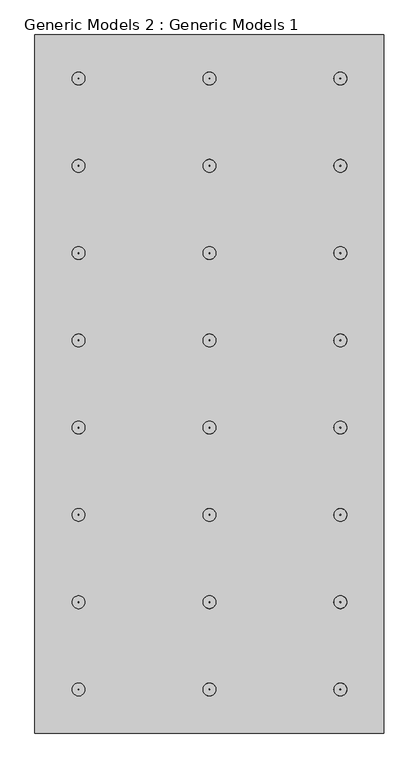
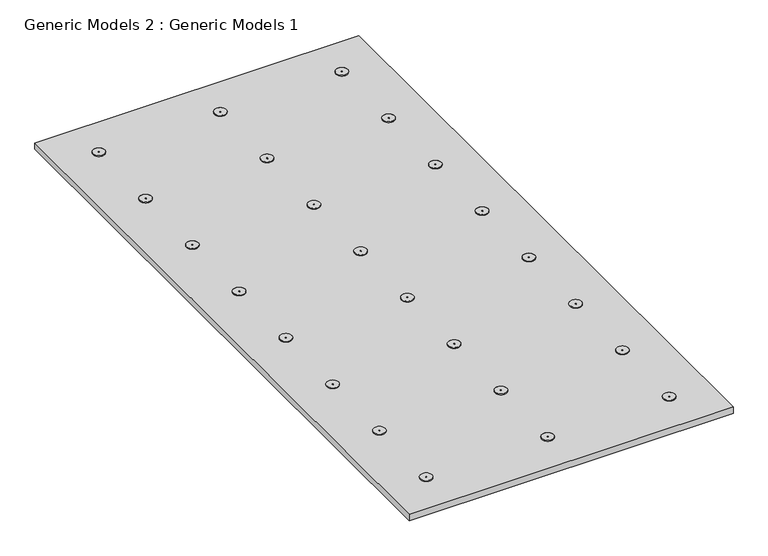
"""IFC4 building model written with IfcOpenShell, lengths in millimetres: proxy geometry, Generic Models 2 : Generic Models 1."""

from ifc_helpers import new_model, si_unit, point, frame, frame_2d, origin, origin_with_axes, place, context, project, spatial, polyline, circle_curve, trimmed, segment, composite_curve, outline, extrude, source, transform, mapped, element, save


def generic_models_2_generic_models_1_deada6b5(model_context):
    return source(origin(), model_context, "Body", "SweptSolid", [
        extrude(outline(composite_curve([segment(trimmed(circle_curve(frame_2d((1565.0726139, 2476.5286599)), 22.225), [point((1565.0726139, 2454.3036599))], [point((1565.0726139, 2498.7536599))], False, "CARTESIAN"), True, "CONTINUOUS"), segment(trimmed(circle_curve(frame_2d((1565.0726139, 2476.5286599)), 22.225), [point((1565.0726139, 2498.7536599))], [point((1565.0726139, 2454.3036599))], False, "CARTESIAN"), True, "CONTINUOUS")], self_intersect=False), holes=[composite_curve([segment(trimmed(circle_curve(frame_2d((1565.0726139, 2476.5286599)), 1.5875), [point((1565.0726139, 2474.9411599))], [point((1565.0726139, 2478.1161599))], True, "CARTESIAN"), True, "CONTINUOUS"), segment(trimmed(circle_curve(frame_2d((1565.0726139, 2476.5286599)), 1.5875), [point((1565.0726139, 2478.1161599))], [point((1565.0726139, 2474.9411599))], True, "CARTESIAN"), True, "CONTINUOUS")], self_intersect=False)]), frame((0.0, 0.0, 25.4), z_axis=(0.0, 0.0, 1.0), x_axis=(1.0, 0.0, 0.0)), (0.0, 0.0, 1.0), 3.175),
        extrude(outline(composite_curve([segment(trimmed(circle_curve(frame_2d((1565.0726139, 2781.3286599)), 22.225), [point((1565.0726139, 2759.1036599))], [point((1565.0726139, 2803.5536599))], False, "CARTESIAN"), True, "CONTINUOUS"), segment(trimmed(circle_curve(frame_2d((1565.0726139, 2781.3286599)), 22.225), [point((1565.0726139, 2803.5536599))], [point((1565.0726139, 2759.1036599))], False, "CARTESIAN"), True, "CONTINUOUS")], self_intersect=False), holes=[composite_curve([segment(trimmed(circle_curve(frame_2d((1565.0726139, 2781.3286599)), 1.5875), [point((1565.0726139, 2779.7411599))], [point((1565.0726139, 2782.9161599))], True, "CARTESIAN"), True, "CONTINUOUS"), segment(trimmed(circle_curve(frame_2d((1565.0726139, 2781.3286599)), 1.5875), [point((1565.0726139, 2782.9161599))], [point((1565.0726139, 2779.7411599))], True, "CARTESIAN"), True, "CONTINUOUS")], self_intersect=False)]), frame((0.0, 0.0, 25.4), z_axis=(0.0, 0.0, 1.0), x_axis=(1.0, 0.0, 0.0)), (0.0, 0.0, 1.0), 3.175),
        extrude(outline(composite_curve([segment(trimmed(circle_curve(frame_2d((1565.0726139, 3086.1286599)), 22.225), [point((1565.0726139, 3063.9036599))], [point((1565.0726139, 3108.3536599))], False, "CARTESIAN"), True, "CONTINUOUS"), segment(trimmed(circle_curve(frame_2d((1565.0726139, 3086.1286599)), 22.225), [point((1565.0726139, 3108.3536599))], [point((1565.0726139, 3063.9036599))], False, "CARTESIAN"), True, "CONTINUOUS")], self_intersect=False), holes=[composite_curve([segment(trimmed(circle_curve(frame_2d((1565.0726139, 3086.1286599)), 1.5875), [point((1565.0726139, 3084.5411599))], [point((1565.0726139, 3087.7161599))], True, "CARTESIAN"), True, "CONTINUOUS"), segment(trimmed(circle_curve(frame_2d((1565.0726139, 3086.1286599)), 1.5875), [point((1565.0726139, 3087.7161599))], [point((1565.0726139, 3084.5411599))], True, "CARTESIAN"), True, "CONTINUOUS")], self_intersect=False)]), frame((0.0, 0.0, 25.4), z_axis=(0.0, 0.0, 1.0), x_axis=(1.0, 0.0, 0.0)), (0.0, 0.0, 1.0), 3.175),
        extrude(outline(composite_curve([segment(trimmed(circle_curve(frame_2d((1565.0726139, 3390.9286599)), 22.225), [point((1565.0726139, 3368.7036599))], [point((1565.0726139, 3413.1536599))], False, "CARTESIAN"), True, "CONTINUOUS"), segment(trimmed(circle_curve(frame_2d((1565.0726139, 3390.9286599)), 22.225), [point((1565.0726139, 3413.1536599))], [point((1565.0726139, 3368.7036599))], False, "CARTESIAN"), True, "CONTINUOUS")], self_intersect=False), holes=[composite_curve([segment(trimmed(circle_curve(frame_2d((1565.0726139, 3390.9286599)), 1.5875), [point((1565.0726139, 3389.3411599))], [point((1565.0726139, 3392.5161599))], True, "CARTESIAN"), True, "CONTINUOUS"), segment(trimmed(circle_curve(frame_2d((1565.0726139, 3390.9286599)), 1.5875), [point((1565.0726139, 3392.5161599))], [point((1565.0726139, 3389.3411599))], True, "CARTESIAN"), True, "CONTINUOUS")], self_intersect=False)]), frame((0.0, 0.0, 25.4), z_axis=(0.0, 0.0, 1.0), x_axis=(1.0, 0.0, 0.0)), (0.0, 0.0, 1.0), 3.175),
        extrude(outline(composite_curve([segment(trimmed(circle_curve(frame_2d((1565.0726139, 3695.7286599)), 22.225), [point((1565.0726139, 3673.5036599))], [point((1565.0726139, 3717.9536599))], False, "CARTESIAN"), True, "CONTINUOUS"), segment(trimmed(circle_curve(frame_2d((1565.0726139, 3695.7286599)), 22.225), [point((1565.0726139, 3717.9536599))], [point((1565.0726139, 3673.5036599))], False, "CARTESIAN"), True, "CONTINUOUS")], self_intersect=False), holes=[composite_curve([segment(trimmed(circle_curve(frame_2d((1565.0726139, 3695.7286599)), 1.5875), [point((1565.0726139, 3694.1411599))], [point((1565.0726139, 3697.3161599))], True, "CARTESIAN"), True, "CONTINUOUS"), segment(trimmed(circle_curve(frame_2d((1565.0726139, 3695.7286599)), 1.5875), [point((1565.0726139, 3697.3161599))], [point((1565.0726139, 3694.1411599))], True, "CARTESIAN"), True, "CONTINUOUS")], self_intersect=False)]), frame((0.0, 0.0, 25.4), z_axis=(0.0, 0.0, 1.0), x_axis=(1.0, 0.0, 0.0)), (0.0, 0.0, 1.0), 3.175),
        extrude(outline(composite_curve([segment(trimmed(circle_curve(frame_2d((2022.2726139, 1562.1286599)), 22.225), [point((2022.2726139, 1539.9036599))], [point((2022.2726139, 1584.3536599))], False, "CARTESIAN"), True, "CONTINUOUS"), segment(trimmed(circle_curve(frame_2d((2022.2726139, 1562.1286599)), 22.225), [point((2022.2726139, 1584.3536599))], [point((2022.2726139, 1539.9036599))], False, "CARTESIAN"), True, "CONTINUOUS")], self_intersect=False), holes=[composite_curve([segment(trimmed(circle_curve(frame_2d((2022.2726139, 1562.1286599)), 1.5875), [point((2022.2726139, 1560.5411599))], [point((2022.2726139, 1563.7161599))], True, "CARTESIAN"), True, "CONTINUOUS"), segment(trimmed(circle_curve(frame_2d((2022.2726139, 1562.1286599)), 1.5875), [point((2022.2726139, 1563.7161599))], [point((2022.2726139, 1560.5411599))], True, "CARTESIAN"), True, "CONTINUOUS")], self_intersect=False)]), frame((0.0, 0.0, 25.4), z_axis=(0.0, 0.0, 1.0), x_axis=(1.0, 0.0, 0.0)), (0.0, 0.0, 1.0), 3.175),
        extrude(outline(composite_curve([segment(trimmed(circle_curve(frame_2d((2479.4726139, 1562.1286599)), 22.225), [point((2479.4726139, 1539.9036599))], [point((2479.4726139, 1584.3536599))], False, "CARTESIAN"), True, "CONTINUOUS"), segment(trimmed(circle_curve(frame_2d((2479.4726139, 1562.1286599)), 22.225), [point((2479.4726139, 1584.3536599))], [point((2479.4726139, 1539.9036599))], False, "CARTESIAN"), True, "CONTINUOUS")], self_intersect=False), holes=[composite_curve([segment(trimmed(circle_curve(frame_2d((2479.4726139, 1562.1286599)), 1.5875), [point((2479.4726139, 1560.5411599))], [point((2479.4726139, 1563.7161599))], True, "CARTESIAN"), True, "CONTINUOUS"), segment(trimmed(circle_curve(frame_2d((2479.4726139, 1562.1286599)), 1.5875), [point((2479.4726139, 1563.7161599))], [point((2479.4726139, 1560.5411599))], True, "CARTESIAN"), True, "CONTINUOUS")], self_intersect=False)]), frame((0.0, 0.0, 25.4), z_axis=(0.0, 0.0, 1.0), x_axis=(1.0, 0.0, 0.0)), (0.0, 0.0, 1.0), 3.175),
        extrude(outline(composite_curve([segment(trimmed(circle_curve(frame_2d((2022.2726139, 1562.1286599)), 22.225), [point((2000.0476139, 1562.1286599))], [point((2044.4976139, 1562.1286599))], False, "CARTESIAN"), True, "CONTINUOUS"), segment(trimmed(circle_curve(frame_2d((2022.2726139, 1562.1286599)), 22.225), [point((2044.4976139, 1562.1286599))], [point((2000.0476139, 1562.1286599))], False, "CARTESIAN"), True, "CONTINUOUS")], self_intersect=False), holes=[composite_curve([segment(trimmed(circle_curve(frame_2d((2022.2726139, 1562.1286599)), 1.5875), [point((2020.6851139, 1562.1286599))], [point((2023.8601139, 1562.1286599))], True, "CARTESIAN"), True, "CONTINUOUS"), segment(trimmed(circle_curve(frame_2d((2022.2726139, 1562.1286599)), 1.5875), [point((2023.8601139, 1562.1286599))], [point((2020.6851139, 1562.1286599))], True, "CARTESIAN"), True, "CONTINUOUS")], self_intersect=False)]), frame((0.0, 0.0, 25.4), z_axis=(0.0, 0.0, 1.0), x_axis=(1.0, 0.0, 0.0)), (0.0, 0.0, 1.0), 3.175),
        extrude(outline(composite_curve([segment(trimmed(circle_curve(frame_2d((1565.0726139, 1562.1286599)), 22.225), [point((1587.2976139, 1562.1286599))], [point((1542.8476139, 1562.1286599))], False, "CARTESIAN"), True, "CONTINUOUS"), segment(trimmed(circle_curve(frame_2d((1565.0726139, 1562.1286599)), 22.225), [point((1542.8476139, 1562.1286599))], [point((1587.2976139, 1562.1286599))], False, "CARTESIAN"), True, "CONTINUOUS")], self_intersect=False), holes=[composite_curve([segment(trimmed(circle_curve(frame_2d((1565.0726139, 1562.1286599)), 1.5875), [point((1566.6601139, 1562.1286599))], [point((1563.4851139, 1562.1286599))], True, "CARTESIAN"), True, "CONTINUOUS"), segment(trimmed(circle_curve(frame_2d((1565.0726139, 1562.1286599)), 1.5875), [point((1563.4851139, 1562.1286599))], [point((1566.6601139, 1562.1286599))], True, "CARTESIAN"), True, "CONTINUOUS")], self_intersect=False)]), frame((0.0, 0.0, 25.4), z_axis=(0.0, 0.0, 1.0), x_axis=(1.0, 0.0, 0.0)), (0.0, 0.0, 1.0), 3.175),
        extrude(outline(composite_curve([segment(trimmed(circle_curve(frame_2d((2479.4726139, 1562.1286599)), 22.225), [point((2457.2476139, 1562.1286599))], [point((2501.6976139, 1562.1286599))], False, "CARTESIAN"), True, "CONTINUOUS"), segment(trimmed(circle_curve(frame_2d((2479.4726139, 1562.1286599)), 22.225), [point((2501.6976139, 1562.1286599))], [point((2457.2476139, 1562.1286599))], False, "CARTESIAN"), True, "CONTINUOUS")], self_intersect=False), holes=[composite_curve([segment(trimmed(circle_curve(frame_2d((2479.4726139, 1562.1286599)), 1.5875), [point((2477.8851139, 1562.1286599))], [point((2481.0601139, 1562.1286599))], True, "CARTESIAN"), True, "CONTINUOUS"), segment(trimmed(circle_curve(frame_2d((2479.4726139, 1562.1286599)), 1.5875), [point((2481.0601139, 1562.1286599))], [point((2477.8851139, 1562.1286599))], True, "CARTESIAN"), True, "CONTINUOUS")], self_intersect=False)]), frame((0.0, 0.0, 25.4), z_axis=(0.0, 0.0, 1.0), x_axis=(1.0, 0.0, 0.0)), (0.0, 0.0, 1.0), 3.175),
        extrude(outline(composite_curve([segment(trimmed(circle_curve(frame_2d((2022.2726139, 1866.9286599)), 22.225), [point((2022.2726139, 1844.7036599))], [point((2022.2726139, 1889.1536599))], False, "CARTESIAN"), True, "CONTINUOUS"), segment(trimmed(circle_curve(frame_2d((2022.2726139, 1866.9286599)), 22.225), [point((2022.2726139, 1889.1536599))], [point((2022.2726139, 1844.7036599))], False, "CARTESIAN"), True, "CONTINUOUS")], self_intersect=False), holes=[composite_curve([segment(trimmed(circle_curve(frame_2d((2022.2726139, 1866.9286599)), 1.5875), [point((2022.2726139, 1865.3411599))], [point((2022.2726139, 1868.5161599))], True, "CARTESIAN"), True, "CONTINUOUS"), segment(trimmed(circle_curve(frame_2d((2022.2726139, 1866.9286599)), 1.5875), [point((2022.2726139, 1868.5161599))], [point((2022.2726139, 1865.3411599))], True, "CARTESIAN"), True, "CONTINUOUS")], self_intersect=False)]), frame((0.0, 0.0, 25.4), z_axis=(0.0, 0.0, 1.0), x_axis=(1.0, 0.0, 0.0)), (0.0, 0.0, 1.0), 3.175),
        extrude(outline(composite_curve([segment(trimmed(circle_curve(frame_2d((2479.4726139, 1866.9286599)), 22.225), [point((2479.4726139, 1844.7036599))], [point((2479.4726139, 1889.1536599))], False, "CARTESIAN"), True, "CONTINUOUS"), segment(trimmed(circle_curve(frame_2d((2479.4726139, 1866.9286599)), 22.225), [point((2479.4726139, 1889.1536599))], [point((2479.4726139, 1844.7036599))], False, "CARTESIAN"), True, "CONTINUOUS")], self_intersect=False), holes=[composite_curve([segment(trimmed(circle_curve(frame_2d((2479.4726139, 1866.9286599)), 1.5875), [point((2479.4726139, 1865.3411599))], [point((2479.4726139, 1868.5161599))], True, "CARTESIAN"), True, "CONTINUOUS"), segment(trimmed(circle_curve(frame_2d((2479.4726139, 1866.9286599)), 1.5875), [point((2479.4726139, 1868.5161599))], [point((2479.4726139, 1865.3411599))], True, "CARTESIAN"), True, "CONTINUOUS")], self_intersect=False)]), frame((0.0, 0.0, 25.4), z_axis=(0.0, 0.0, 1.0), x_axis=(1.0, 0.0, 0.0)), (0.0, 0.0, 1.0), 3.175),
        extrude(outline(composite_curve([segment(trimmed(circle_curve(frame_2d((2022.2726139, 1866.9286599)), 22.225), [point((2000.0476139, 1866.9286599))], [point((2044.4976139, 1866.9286599))], False, "CARTESIAN"), True, "CONTINUOUS"), segment(trimmed(circle_curve(frame_2d((2022.2726139, 1866.9286599)), 22.225), [point((2044.4976139, 1866.9286599))], [point((2000.0476139, 1866.9286599))], False, "CARTESIAN"), True, "CONTINUOUS")], self_intersect=False), holes=[composite_curve([segment(trimmed(circle_curve(frame_2d((2022.2726139, 1866.9286599)), 1.5875), [point((2020.6851139, 1866.9286599))], [point((2023.8601139, 1866.9286599))], True, "CARTESIAN"), True, "CONTINUOUS"), segment(trimmed(circle_curve(frame_2d((2022.2726139, 1866.9286599)), 1.5875), [point((2023.8601139, 1866.9286599))], [point((2020.6851139, 1866.9286599))], True, "CARTESIAN"), True, "CONTINUOUS")], self_intersect=False)]), frame((0.0, 0.0, 25.4), z_axis=(0.0, 0.0, 1.0), x_axis=(1.0, 0.0, 0.0)), (0.0, 0.0, 1.0), 3.175),
        extrude(outline(composite_curve([segment(trimmed(circle_curve(frame_2d((1565.0726139, 1866.9286599)), 22.225), [point((1587.2976139, 1866.9286599))], [point((1542.8476139, 1866.9286599))], False, "CARTESIAN"), True, "CONTINUOUS"), segment(trimmed(circle_curve(frame_2d((1565.0726139, 1866.9286599)), 22.225), [point((1542.8476139, 1866.9286599))], [point((1587.2976139, 1866.9286599))], False, "CARTESIAN"), True, "CONTINUOUS")], self_intersect=False), holes=[composite_curve([segment(trimmed(circle_curve(frame_2d((1565.0726139, 1866.9286599)), 1.5875), [point((1566.6601139, 1866.9286599))], [point((1563.4851139, 1866.9286599))], True, "CARTESIAN"), True, "CONTINUOUS"), segment(trimmed(circle_curve(frame_2d((1565.0726139, 1866.9286599)), 1.5875), [point((1563.4851139, 1866.9286599))], [point((1566.6601139, 1866.9286599))], True, "CARTESIAN"), True, "CONTINUOUS")], self_intersect=False)]), frame((0.0, 0.0, 25.4), z_axis=(0.0, 0.0, 1.0), x_axis=(1.0, 0.0, 0.0)), (0.0, 0.0, 1.0), 3.175),
        extrude(outline(composite_curve([segment(trimmed(circle_curve(frame_2d((2479.4726139, 1866.9286599)), 22.225), [point((2457.2476139, 1866.9286599))], [point((2501.6976139, 1866.9286599))], False, "CARTESIAN"), True, "CONTINUOUS"), segment(trimmed(circle_curve(frame_2d((2479.4726139, 1866.9286599)), 22.225), [point((2501.6976139, 1866.9286599))], [point((2457.2476139, 1866.9286599))], False, "CARTESIAN"), True, "CONTINUOUS")], self_intersect=False), holes=[composite_curve([segment(trimmed(circle_curve(frame_2d((2479.4726139, 1866.9286599)), 1.5875), [point((2477.8851139, 1866.9286599))], [point((2481.0601139, 1866.9286599))], True, "CARTESIAN"), True, "CONTINUOUS"), segment(trimmed(circle_curve(frame_2d((2479.4726139, 1866.9286599)), 1.5875), [point((2481.0601139, 1866.9286599))], [point((2477.8851139, 1866.9286599))], True, "CARTESIAN"), True, "CONTINUOUS")], self_intersect=False)]), frame((0.0, 0.0, 25.4), z_axis=(0.0, 0.0, 1.0), x_axis=(1.0, 0.0, 0.0)), (0.0, 0.0, 1.0), 3.175),
        extrude(outline(composite_curve([segment(trimmed(circle_curve(frame_2d((2022.2726139, 2171.7286599)), 22.225), [point((2022.2726139, 2149.5036599))], [point((2022.2726139, 2193.9536599))], False, "CARTESIAN"), True, "CONTINUOUS"), segment(trimmed(circle_curve(frame_2d((2022.2726139, 2171.7286599)), 22.225), [point((2022.2726139, 2193.9536599))], [point((2022.2726139, 2149.5036599))], False, "CARTESIAN"), True, "CONTINUOUS")], self_intersect=False), holes=[composite_curve([segment(trimmed(circle_curve(frame_2d((2022.2726139, 2171.7286599)), 1.5875), [point((2022.2726139, 2170.1411599))], [point((2022.2726139, 2173.3161599))], True, "CARTESIAN"), True, "CONTINUOUS"), segment(trimmed(circle_curve(frame_2d((2022.2726139, 2171.7286599)), 1.5875), [point((2022.2726139, 2173.3161599))], [point((2022.2726139, 2170.1411599))], True, "CARTESIAN"), True, "CONTINUOUS")], self_intersect=False)]), frame((0.0, 0.0, 25.4), z_axis=(0.0, 0.0, 1.0), x_axis=(1.0, 0.0, 0.0)), (0.0, 0.0, 1.0), 3.175),
        extrude(outline(composite_curve([segment(trimmed(circle_curve(frame_2d((2479.4726139, 2171.7286599)), 22.225), [point((2479.4726139, 2149.5036599))], [point((2479.4726139, 2193.9536599))], False, "CARTESIAN"), True, "CONTINUOUS"), segment(trimmed(circle_curve(frame_2d((2479.4726139, 2171.7286599)), 22.225), [point((2479.4726139, 2193.9536599))], [point((2479.4726139, 2149.5036599))], False, "CARTESIAN"), True, "CONTINUOUS")], self_intersect=False), holes=[composite_curve([segment(trimmed(circle_curve(frame_2d((2479.4726139, 2171.7286599)), 1.5875), [point((2479.4726139, 2170.1411599))], [point((2479.4726139, 2173.3161599))], True, "CARTESIAN"), True, "CONTINUOUS"), segment(trimmed(circle_curve(frame_2d((2479.4726139, 2171.7286599)), 1.5875), [point((2479.4726139, 2173.3161599))], [point((2479.4726139, 2170.1411599))], True, "CARTESIAN"), True, "CONTINUOUS")], self_intersect=False)]), frame((0.0, 0.0, 25.4), z_axis=(0.0, 0.0, 1.0), x_axis=(1.0, 0.0, 0.0)), (0.0, 0.0, 1.0), 3.175),
        extrude(outline(composite_curve([segment(trimmed(circle_curve(frame_2d((2022.2726139, 2171.7286599)), 22.225), [point((2000.0476139, 2171.7286599))], [point((2044.4976139, 2171.7286599))], False, "CARTESIAN"), True, "CONTINUOUS"), segment(trimmed(circle_curve(frame_2d((2022.2726139, 2171.7286599)), 22.225), [point((2044.4976139, 2171.7286599))], [point((2000.0476139, 2171.7286599))], False, "CARTESIAN"), True, "CONTINUOUS")], self_intersect=False), holes=[composite_curve([segment(trimmed(circle_curve(frame_2d((2022.2726139, 2171.7286599)), 1.5875), [point((2020.6851139, 2171.7286599))], [point((2023.8601139, 2171.7286599))], True, "CARTESIAN"), True, "CONTINUOUS"), segment(trimmed(circle_curve(frame_2d((2022.2726139, 2171.7286599)), 1.5875), [point((2023.8601139, 2171.7286599))], [point((2020.6851139, 2171.7286599))], True, "CARTESIAN"), True, "CONTINUOUS")], self_intersect=False)]), frame((0.0, 0.0, 25.4), z_axis=(0.0, 0.0, 1.0), x_axis=(1.0, 0.0, 0.0)), (0.0, 0.0, 1.0), 3.175),
        extrude(outline(composite_curve([segment(trimmed(circle_curve(frame_2d((1565.0726139, 2171.7286599)), 22.225), [point((1587.2976139, 2171.7286599))], [point((1542.8476139, 2171.7286599))], False, "CARTESIAN"), True, "CONTINUOUS"), segment(trimmed(circle_curve(frame_2d((1565.0726139, 2171.7286599)), 22.225), [point((1542.8476139, 2171.7286599))], [point((1587.2976139, 2171.7286599))], False, "CARTESIAN"), True, "CONTINUOUS")], self_intersect=False), holes=[composite_curve([segment(trimmed(circle_curve(frame_2d((1565.0726139, 2171.7286599)), 1.5875), [point((1566.6601139, 2171.7286599))], [point((1563.4851139, 2171.7286599))], True, "CARTESIAN"), True, "CONTINUOUS"), segment(trimmed(circle_curve(frame_2d((1565.0726139, 2171.7286599)), 1.5875), [point((1563.4851139, 2171.7286599))], [point((1566.6601139, 2171.7286599))], True, "CARTESIAN"), True, "CONTINUOUS")], self_intersect=False)]), frame((0.0, 0.0, 25.4), z_axis=(0.0, 0.0, 1.0), x_axis=(1.0, 0.0, 0.0)), (0.0, 0.0, 1.0), 3.175),
        extrude(outline(composite_curve([segment(trimmed(circle_curve(frame_2d((2479.4726139, 2171.7286599)), 22.225), [point((2457.2476139, 2171.7286599))], [point((2501.6976139, 2171.7286599))], False, "CARTESIAN"), True, "CONTINUOUS"), segment(trimmed(circle_curve(frame_2d((2479.4726139, 2171.7286599)), 22.225), [point((2501.6976139, 2171.7286599))], [point((2457.2476139, 2171.7286599))], False, "CARTESIAN"), True, "CONTINUOUS")], self_intersect=False), holes=[composite_curve([segment(trimmed(circle_curve(frame_2d((2479.4726139, 2171.7286599)), 1.5875), [point((2477.8851139, 2171.7286599))], [point((2481.0601139, 2171.7286599))], True, "CARTESIAN"), True, "CONTINUOUS"), segment(trimmed(circle_curve(frame_2d((2479.4726139, 2171.7286599)), 1.5875), [point((2481.0601139, 2171.7286599))], [point((2477.8851139, 2171.7286599))], True, "CARTESIAN"), True, "CONTINUOUS")], self_intersect=False)]), frame((0.0, 0.0, 25.4), z_axis=(0.0, 0.0, 1.0), x_axis=(1.0, 0.0, 0.0)), (0.0, 0.0, 1.0), 3.175),
        extrude(outline(composite_curve([segment(trimmed(circle_curve(frame_2d((2022.2726139, 2476.5286599)), 22.225), [point((2022.2726139, 2454.3036599))], [point((2022.2726139, 2498.7536599))], False, "CARTESIAN"), True, "CONTINUOUS"), segment(trimmed(circle_curve(frame_2d((2022.2726139, 2476.5286599)), 22.225), [point((2022.2726139, 2498.7536599))], [point((2022.2726139, 2454.3036599))], False, "CARTESIAN"), True, "CONTINUOUS")], self_intersect=False), holes=[composite_curve([segment(trimmed(circle_curve(frame_2d((2022.2726139, 2476.5286599)), 1.5875), [point((2022.2726139, 2474.9411599))], [point((2022.2726139, 2478.1161599))], True, "CARTESIAN"), True, "CONTINUOUS"), segment(trimmed(circle_curve(frame_2d((2022.2726139, 2476.5286599)), 1.5875), [point((2022.2726139, 2478.1161599))], [point((2022.2726139, 2474.9411599))], True, "CARTESIAN"), True, "CONTINUOUS")], self_intersect=False)]), frame((0.0, 0.0, 25.4), z_axis=(0.0, 0.0, 1.0), x_axis=(1.0, 0.0, 0.0)), (0.0, 0.0, 1.0), 3.175),
        extrude(outline(composite_curve([segment(trimmed(circle_curve(frame_2d((2479.4726139, 2476.5286599)), 22.225), [point((2479.4726139, 2454.3036599))], [point((2479.4726139, 2498.7536599))], False, "CARTESIAN"), True, "CONTINUOUS"), segment(trimmed(circle_curve(frame_2d((2479.4726139, 2476.5286599)), 22.225), [point((2479.4726139, 2498.7536599))], [point((2479.4726139, 2454.3036599))], False, "CARTESIAN"), True, "CONTINUOUS")], self_intersect=False), holes=[composite_curve([segment(trimmed(circle_curve(frame_2d((2479.4726139, 2476.5286599)), 1.5875), [point((2479.4726139, 2474.9411599))], [point((2479.4726139, 2478.1161599))], True, "CARTESIAN"), True, "CONTINUOUS"), segment(trimmed(circle_curve(frame_2d((2479.4726139, 2476.5286599)), 1.5875), [point((2479.4726139, 2478.1161599))], [point((2479.4726139, 2474.9411599))], True, "CARTESIAN"), True, "CONTINUOUS")], self_intersect=False)]), frame((0.0, 0.0, 25.4), z_axis=(0.0, 0.0, 1.0), x_axis=(1.0, 0.0, 0.0)), (0.0, 0.0, 1.0), 3.175),
        extrude(outline(composite_curve([segment(trimmed(circle_curve(frame_2d((2022.2726139, 2476.5286599)), 22.225), [point((2000.0476139, 2476.5286599))], [point((2044.4976139, 2476.5286599))], False, "CARTESIAN"), True, "CONTINUOUS"), segment(trimmed(circle_curve(frame_2d((2022.2726139, 2476.5286599)), 22.225), [point((2044.4976139, 2476.5286599))], [point((2000.0476139, 2476.5286599))], False, "CARTESIAN"), True, "CONTINUOUS")], self_intersect=False), holes=[composite_curve([segment(trimmed(circle_curve(frame_2d((2022.2726139, 2476.5286599)), 1.5875), [point((2020.6851139, 2476.5286599))], [point((2023.8601139, 2476.5286599))], True, "CARTESIAN"), True, "CONTINUOUS"), segment(trimmed(circle_curve(frame_2d((2022.2726139, 2476.5286599)), 1.5875), [point((2023.8601139, 2476.5286599))], [point((2020.6851139, 2476.5286599))], True, "CARTESIAN"), True, "CONTINUOUS")], self_intersect=False)]), frame((0.0, 0.0, 25.4), z_axis=(0.0, 0.0, 1.0), x_axis=(1.0, 0.0, 0.0)), (0.0, 0.0, 1.0), 3.175),
        extrude(outline(composite_curve([segment(trimmed(circle_curve(frame_2d((1565.0726139, 2476.5286599)), 22.225), [point((1587.2976139, 2476.5286599))], [point((1542.8476139, 2476.5286599))], False, "CARTESIAN"), True, "CONTINUOUS"), segment(trimmed(circle_curve(frame_2d((1565.0726139, 2476.5286599)), 22.225), [point((1542.8476139, 2476.5286599))], [point((1587.2976139, 2476.5286599))], False, "CARTESIAN"), True, "CONTINUOUS")], self_intersect=False), holes=[composite_curve([segment(trimmed(circle_curve(frame_2d((1565.0726139, 2476.5286599)), 1.5875), [point((1566.6601139, 2476.5286599))], [point((1563.4851139, 2476.5286599))], True, "CARTESIAN"), True, "CONTINUOUS"), segment(trimmed(circle_curve(frame_2d((1565.0726139, 2476.5286599)), 1.5875), [point((1563.4851139, 2476.5286599))], [point((1566.6601139, 2476.5286599))], True, "CARTESIAN"), True, "CONTINUOUS")], self_intersect=False)]), frame((0.0, 0.0, 25.4), z_axis=(0.0, 0.0, 1.0), x_axis=(1.0, 0.0, 0.0)), (0.0, 0.0, 1.0), 3.175),
        extrude(outline(composite_curve([segment(trimmed(circle_curve(frame_2d((2479.4726139, 2476.5286599)), 22.225), [point((2457.2476139, 2476.5286599))], [point((2501.6976139, 2476.5286599))], False, "CARTESIAN"), True, "CONTINUOUS"), segment(trimmed(circle_curve(frame_2d((2479.4726139, 2476.5286599)), 22.225), [point((2501.6976139, 2476.5286599))], [point((2457.2476139, 2476.5286599))], False, "CARTESIAN"), True, "CONTINUOUS")], self_intersect=False), holes=[composite_curve([segment(trimmed(circle_curve(frame_2d((2479.4726139, 2476.5286599)), 1.5875), [point((2477.8851139, 2476.5286599))], [point((2481.0601139, 2476.5286599))], True, "CARTESIAN"), True, "CONTINUOUS"), segment(trimmed(circle_curve(frame_2d((2479.4726139, 2476.5286599)), 1.5875), [point((2481.0601139, 2476.5286599))], [point((2477.8851139, 2476.5286599))], True, "CARTESIAN"), True, "CONTINUOUS")], self_intersect=False)]), frame((0.0, 0.0, 25.4), z_axis=(0.0, 0.0, 1.0), x_axis=(1.0, 0.0, 0.0)), (0.0, 0.0, 1.0), 3.175),
        extrude(outline(composite_curve([segment(trimmed(circle_curve(frame_2d((2022.2726139, 2781.3286599)), 22.225), [point((2022.2726139, 2759.1036599))], [point((2022.2726139, 2803.5536599))], False, "CARTESIAN"), True, "CONTINUOUS"), segment(trimmed(circle_curve(frame_2d((2022.2726139, 2781.3286599)), 22.225), [point((2022.2726139, 2803.5536599))], [point((2022.2726139, 2759.1036599))], False, "CARTESIAN"), True, "CONTINUOUS")], self_intersect=False), holes=[composite_curve([segment(trimmed(circle_curve(frame_2d((2022.2726139, 2781.3286599)), 1.5875), [point((2022.2726139, 2779.7411599))], [point((2022.2726139, 2782.9161599))], True, "CARTESIAN"), True, "CONTINUOUS"), segment(trimmed(circle_curve(frame_2d((2022.2726139, 2781.3286599)), 1.5875), [point((2022.2726139, 2782.9161599))], [point((2022.2726139, 2779.7411599))], True, "CARTESIAN"), True, "CONTINUOUS")], self_intersect=False)]), frame((0.0, 0.0, 25.4), z_axis=(0.0, 0.0, 1.0), x_axis=(1.0, 0.0, 0.0)), (0.0, 0.0, 1.0), 3.175),
        extrude(outline(composite_curve([segment(trimmed(circle_curve(frame_2d((2479.4726139, 2781.3286599)), 22.225), [point((2479.4726139, 2759.1036599))], [point((2479.4726139, 2803.5536599))], False, "CARTESIAN"), True, "CONTINUOUS"), segment(trimmed(circle_curve(frame_2d((2479.4726139, 2781.3286599)), 22.225), [point((2479.4726139, 2803.5536599))], [point((2479.4726139, 2759.1036599))], False, "CARTESIAN"), True, "CONTINUOUS")], self_intersect=False), holes=[composite_curve([segment(trimmed(circle_curve(frame_2d((2479.4726139, 2781.3286599)), 1.5875), [point((2479.4726139, 2779.7411599))], [point((2479.4726139, 2782.9161599))], True, "CARTESIAN"), True, "CONTINUOUS"), segment(trimmed(circle_curve(frame_2d((2479.4726139, 2781.3286599)), 1.5875), [point((2479.4726139, 2782.9161599))], [point((2479.4726139, 2779.7411599))], True, "CARTESIAN"), True, "CONTINUOUS")], self_intersect=False)]), frame((0.0, 0.0, 25.4), z_axis=(0.0, 0.0, 1.0), x_axis=(1.0, 0.0, 0.0)), (0.0, 0.0, 1.0), 3.175),
        extrude(outline(composite_curve([segment(trimmed(circle_curve(frame_2d((2022.2726139, 2781.3286599)), 22.225), [point((2000.0476139, 2781.3286599))], [point((2044.4976139, 2781.3286599))], False, "CARTESIAN"), True, "CONTINUOUS"), segment(trimmed(circle_curve(frame_2d((2022.2726139, 2781.3286599)), 22.225), [point((2044.4976139, 2781.3286599))], [point((2000.0476139, 2781.3286599))], False, "CARTESIAN"), True, "CONTINUOUS")], self_intersect=False), holes=[composite_curve([segment(trimmed(circle_curve(frame_2d((2022.2726139, 2781.3286599)), 1.5875), [point((2020.6851139, 2781.3286599))], [point((2023.8601139, 2781.3286599))], True, "CARTESIAN"), True, "CONTINUOUS"), segment(trimmed(circle_curve(frame_2d((2022.2726139, 2781.3286599)), 1.5875), [point((2023.8601139, 2781.3286599))], [point((2020.6851139, 2781.3286599))], True, "CARTESIAN"), True, "CONTINUOUS")], self_intersect=False)]), frame((0.0, 0.0, 25.4), z_axis=(0.0, 0.0, 1.0), x_axis=(1.0, 0.0, 0.0)), (0.0, 0.0, 1.0), 3.175),
        extrude(outline(composite_curve([segment(trimmed(circle_curve(frame_2d((1565.0726139, 2781.3286599)), 22.225), [point((1587.2976139, 2781.3286599))], [point((1542.8476139, 2781.3286599))], False, "CARTESIAN"), True, "CONTINUOUS"), segment(trimmed(circle_curve(frame_2d((1565.0726139, 2781.3286599)), 22.225), [point((1542.8476139, 2781.3286599))], [point((1587.2976139, 2781.3286599))], False, "CARTESIAN"), True, "CONTINUOUS")], self_intersect=False), holes=[composite_curve([segment(trimmed(circle_curve(frame_2d((1565.0726139, 2781.3286599)), 1.5875), [point((1566.6601139, 2781.3286599))], [point((1563.4851139, 2781.3286599))], True, "CARTESIAN"), True, "CONTINUOUS"), segment(trimmed(circle_curve(frame_2d((1565.0726139, 2781.3286599)), 1.5875), [point((1563.4851139, 2781.3286599))], [point((1566.6601139, 2781.3286599))], True, "CARTESIAN"), True, "CONTINUOUS")], self_intersect=False)]), frame((0.0, 0.0, 25.4), z_axis=(0.0, 0.0, 1.0), x_axis=(1.0, 0.0, 0.0)), (0.0, 0.0, 1.0), 3.175),
        extrude(outline(composite_curve([segment(trimmed(circle_curve(frame_2d((2479.4726139, 2781.3286599)), 22.225), [point((2457.2476139, 2781.3286599))], [point((2501.6976139, 2781.3286599))], False, "CARTESIAN"), True, "CONTINUOUS"), segment(trimmed(circle_curve(frame_2d((2479.4726139, 2781.3286599)), 22.225), [point((2501.6976139, 2781.3286599))], [point((2457.2476139, 2781.3286599))], False, "CARTESIAN"), True, "CONTINUOUS")], self_intersect=False), holes=[composite_curve([segment(trimmed(circle_curve(frame_2d((2479.4726139, 2781.3286599)), 1.5875), [point((2477.8851139, 2781.3286599))], [point((2481.0601139, 2781.3286599))], True, "CARTESIAN"), True, "CONTINUOUS"), segment(trimmed(circle_curve(frame_2d((2479.4726139, 2781.3286599)), 1.5875), [point((2481.0601139, 2781.3286599))], [point((2477.8851139, 2781.3286599))], True, "CARTESIAN"), True, "CONTINUOUS")], self_intersect=False)]), frame((0.0, 0.0, 25.4), z_axis=(0.0, 0.0, 1.0), x_axis=(1.0, 0.0, 0.0)), (0.0, 0.0, 1.0), 3.175),
        extrude(outline(composite_curve([segment(trimmed(circle_curve(frame_2d((2022.2726139, 3086.1286599)), 22.225), [point((2022.2726139, 3063.9036599))], [point((2022.2726139, 3108.3536599))], False, "CARTESIAN"), True, "CONTINUOUS"), segment(trimmed(circle_curve(frame_2d((2022.2726139, 3086.1286599)), 22.225), [point((2022.2726139, 3108.3536599))], [point((2022.2726139, 3063.9036599))], False, "CARTESIAN"), True, "CONTINUOUS")], self_intersect=False), holes=[composite_curve([segment(trimmed(circle_curve(frame_2d((2022.2726139, 3086.1286599)), 1.5875), [point((2022.2726139, 3084.5411599))], [point((2022.2726139, 3087.7161599))], True, "CARTESIAN"), True, "CONTINUOUS"), segment(trimmed(circle_curve(frame_2d((2022.2726139, 3086.1286599)), 1.5875), [point((2022.2726139, 3087.7161599))], [point((2022.2726139, 3084.5411599))], True, "CARTESIAN"), True, "CONTINUOUS")], self_intersect=False)]), frame((0.0, 0.0, 25.4), z_axis=(0.0, 0.0, 1.0), x_axis=(1.0, 0.0, 0.0)), (0.0, 0.0, 1.0), 3.175),
        extrude(outline(composite_curve([segment(trimmed(circle_curve(frame_2d((2479.4726139, 3086.1286599)), 22.225), [point((2479.4726139, 3063.9036599))], [point((2479.4726139, 3108.3536599))], False, "CARTESIAN"), True, "CONTINUOUS"), segment(trimmed(circle_curve(frame_2d((2479.4726139, 3086.1286599)), 22.225), [point((2479.4726139, 3108.3536599))], [point((2479.4726139, 3063.9036599))], False, "CARTESIAN"), True, "CONTINUOUS")], self_intersect=False), holes=[composite_curve([segment(trimmed(circle_curve(frame_2d((2479.4726139, 3086.1286599)), 1.5875), [point((2479.4726139, 3084.5411599))], [point((2479.4726139, 3087.7161599))], True, "CARTESIAN"), True, "CONTINUOUS"), segment(trimmed(circle_curve(frame_2d((2479.4726139, 3086.1286599)), 1.5875), [point((2479.4726139, 3087.7161599))], [point((2479.4726139, 3084.5411599))], True, "CARTESIAN"), True, "CONTINUOUS")], self_intersect=False)]), frame((0.0, 0.0, 25.4), z_axis=(0.0, 0.0, 1.0), x_axis=(1.0, 0.0, 0.0)), (0.0, 0.0, 1.0), 3.175),
        extrude(outline(composite_curve([segment(trimmed(circle_curve(frame_2d((2022.2726139, 3086.1286599)), 22.225), [point((2000.0476139, 3086.1286599))], [point((2044.4976139, 3086.1286599))], False, "CARTESIAN"), True, "CONTINUOUS"), segment(trimmed(circle_curve(frame_2d((2022.2726139, 3086.1286599)), 22.225), [point((2044.4976139, 3086.1286599))], [point((2000.0476139, 3086.1286599))], False, "CARTESIAN"), True, "CONTINUOUS")], self_intersect=False), holes=[composite_curve([segment(trimmed(circle_curve(frame_2d((2022.2726139, 3086.1286599)), 1.5875), [point((2020.6851139, 3086.1286599))], [point((2023.8601139, 3086.1286599))], True, "CARTESIAN"), True, "CONTINUOUS"), segment(trimmed(circle_curve(frame_2d((2022.2726139, 3086.1286599)), 1.5875), [point((2023.8601139, 3086.1286599))], [point((2020.6851139, 3086.1286599))], True, "CARTESIAN"), True, "CONTINUOUS")], self_intersect=False)]), frame((0.0, 0.0, 25.4), z_axis=(0.0, 0.0, 1.0), x_axis=(1.0, 0.0, 0.0)), (0.0, 0.0, 1.0), 3.175),
        extrude(outline(composite_curve([segment(trimmed(circle_curve(frame_2d((1565.0726139, 3086.1286599)), 22.225), [point((1587.2976139, 3086.1286599))], [point((1542.8476139, 3086.1286599))], False, "CARTESIAN"), True, "CONTINUOUS"), segment(trimmed(circle_curve(frame_2d((1565.0726139, 3086.1286599)), 22.225), [point((1542.8476139, 3086.1286599))], [point((1587.2976139, 3086.1286599))], False, "CARTESIAN"), True, "CONTINUOUS")], self_intersect=False), holes=[composite_curve([segment(trimmed(circle_curve(frame_2d((1565.0726139, 3086.1286599)), 1.5875), [point((1566.6601139, 3086.1286599))], [point((1563.4851139, 3086.1286599))], True, "CARTESIAN"), True, "CONTINUOUS"), segment(trimmed(circle_curve(frame_2d((1565.0726139, 3086.1286599)), 1.5875), [point((1563.4851139, 3086.1286599))], [point((1566.6601139, 3086.1286599))], True, "CARTESIAN"), True, "CONTINUOUS")], self_intersect=False)]), frame((0.0, 0.0, 25.4), z_axis=(0.0, 0.0, 1.0), x_axis=(1.0, 0.0, 0.0)), (0.0, 0.0, 1.0), 3.175),
        extrude(outline(composite_curve([segment(trimmed(circle_curve(frame_2d((2479.4726139, 3086.1286599)), 22.225), [point((2457.2476139, 3086.1286599))], [point((2501.6976139, 3086.1286599))], False, "CARTESIAN"), True, "CONTINUOUS"), segment(trimmed(circle_curve(frame_2d((2479.4726139, 3086.1286599)), 22.225), [point((2501.6976139, 3086.1286599))], [point((2457.2476139, 3086.1286599))], False, "CARTESIAN"), True, "CONTINUOUS")], self_intersect=False), holes=[composite_curve([segment(trimmed(circle_curve(frame_2d((2479.4726139, 3086.1286599)), 1.5875), [point((2477.8851139, 3086.1286599))], [point((2481.0601139, 3086.1286599))], True, "CARTESIAN"), True, "CONTINUOUS"), segment(trimmed(circle_curve(frame_2d((2479.4726139, 3086.1286599)), 1.5875), [point((2481.0601139, 3086.1286599))], [point((2477.8851139, 3086.1286599))], True, "CARTESIAN"), True, "CONTINUOUS")], self_intersect=False)]), frame((0.0, 0.0, 25.4), z_axis=(0.0, 0.0, 1.0), x_axis=(1.0, 0.0, 0.0)), (0.0, 0.0, 1.0), 3.175),
        extrude(outline(composite_curve([segment(trimmed(circle_curve(frame_2d((2022.2726139, 3390.9286599)), 22.225), [point((2022.2726139, 3368.7036599))], [point((2022.2726139, 3413.1536599))], False, "CARTESIAN"), True, "CONTINUOUS"), segment(trimmed(circle_curve(frame_2d((2022.2726139, 3390.9286599)), 22.225), [point((2022.2726139, 3413.1536599))], [point((2022.2726139, 3368.7036599))], False, "CARTESIAN"), True, "CONTINUOUS")], self_intersect=False), holes=[composite_curve([segment(trimmed(circle_curve(frame_2d((2022.2726139, 3390.9286599)), 1.5875), [point((2022.2726139, 3389.3411599))], [point((2022.2726139, 3392.5161599))], True, "CARTESIAN"), True, "CONTINUOUS"), segment(trimmed(circle_curve(frame_2d((2022.2726139, 3390.9286599)), 1.5875), [point((2022.2726139, 3392.5161599))], [point((2022.2726139, 3389.3411599))], True, "CARTESIAN"), True, "CONTINUOUS")], self_intersect=False)]), frame((0.0, 0.0, 25.4), z_axis=(0.0, 0.0, 1.0), x_axis=(1.0, 0.0, 0.0)), (0.0, 0.0, 1.0), 3.175),
        extrude(outline(composite_curve([segment(trimmed(circle_curve(frame_2d((2479.4726139, 3390.9286599)), 22.225), [point((2479.4726139, 3368.7036599))], [point((2479.4726139, 3413.1536599))], False, "CARTESIAN"), True, "CONTINUOUS"), segment(trimmed(circle_curve(frame_2d((2479.4726139, 3390.9286599)), 22.225), [point((2479.4726139, 3413.1536599))], [point((2479.4726139, 3368.7036599))], False, "CARTESIAN"), True, "CONTINUOUS")], self_intersect=False), holes=[composite_curve([segment(trimmed(circle_curve(frame_2d((2479.4726139, 3390.9286599)), 1.5875), [point((2479.4726139, 3389.3411599))], [point((2479.4726139, 3392.5161599))], True, "CARTESIAN"), True, "CONTINUOUS"), segment(trimmed(circle_curve(frame_2d((2479.4726139, 3390.9286599)), 1.5875), [point((2479.4726139, 3392.5161599))], [point((2479.4726139, 3389.3411599))], True, "CARTESIAN"), True, "CONTINUOUS")], self_intersect=False)]), frame((0.0, 0.0, 25.4), z_axis=(0.0, 0.0, 1.0), x_axis=(1.0, 0.0, 0.0)), (0.0, 0.0, 1.0), 3.175),
        extrude(outline(composite_curve([segment(trimmed(circle_curve(frame_2d((2022.2726139, 3390.9286599)), 22.225), [point((2000.0476139, 3390.9286599))], [point((2044.4976139, 3390.9286599))], False, "CARTESIAN"), True, "CONTINUOUS"), segment(trimmed(circle_curve(frame_2d((2022.2726139, 3390.9286599)), 22.225), [point((2044.4976139, 3390.9286599))], [point((2000.0476139, 3390.9286599))], False, "CARTESIAN"), True, "CONTINUOUS")], self_intersect=False), holes=[composite_curve([segment(trimmed(circle_curve(frame_2d((2022.2726139, 3390.9286599)), 1.5875), [point((2020.6851139, 3390.9286599))], [point((2023.8601139, 3390.9286599))], True, "CARTESIAN"), True, "CONTINUOUS"), segment(trimmed(circle_curve(frame_2d((2022.2726139, 3390.9286599)), 1.5875), [point((2023.8601139, 3390.9286599))], [point((2020.6851139, 3390.9286599))], True, "CARTESIAN"), True, "CONTINUOUS")], self_intersect=False)]), frame((0.0, 0.0, 25.4), z_axis=(0.0, 0.0, 1.0), x_axis=(1.0, 0.0, 0.0)), (0.0, 0.0, 1.0), 3.175),
        extrude(outline(composite_curve([segment(trimmed(circle_curve(frame_2d((1565.0726139, 3390.9286599)), 22.225), [point((1587.2976139, 3390.9286599))], [point((1542.8476139, 3390.9286599))], False, "CARTESIAN"), True, "CONTINUOUS"), segment(trimmed(circle_curve(frame_2d((1565.0726139, 3390.9286599)), 22.225), [point((1542.8476139, 3390.9286599))], [point((1587.2976139, 3390.9286599))], False, "CARTESIAN"), True, "CONTINUOUS")], self_intersect=False), holes=[composite_curve([segment(trimmed(circle_curve(frame_2d((1565.0726139, 3390.9286599)), 1.5875), [point((1566.6601139, 3390.9286599))], [point((1563.4851139, 3390.9286599))], True, "CARTESIAN"), True, "CONTINUOUS"), segment(trimmed(circle_curve(frame_2d((1565.0726139, 3390.9286599)), 1.5875), [point((1563.4851139, 3390.9286599))], [point((1566.6601139, 3390.9286599))], True, "CARTESIAN"), True, "CONTINUOUS")], self_intersect=False)]), frame((0.0, 0.0, 25.4), z_axis=(0.0, 0.0, 1.0), x_axis=(1.0, 0.0, 0.0)), (0.0, 0.0, 1.0), 3.175),
        extrude(outline(composite_curve([segment(trimmed(circle_curve(frame_2d((2479.4726139, 3390.9286599)), 22.225), [point((2457.2476139, 3390.9286599))], [point((2501.6976139, 3390.9286599))], False, "CARTESIAN"), True, "CONTINUOUS"), segment(trimmed(circle_curve(frame_2d((2479.4726139, 3390.9286599)), 22.225), [point((2501.6976139, 3390.9286599))], [point((2457.2476139, 3390.9286599))], False, "CARTESIAN"), True, "CONTINUOUS")], self_intersect=False), holes=[composite_curve([segment(trimmed(circle_curve(frame_2d((2479.4726139, 3390.9286599)), 1.5875), [point((2477.8851139, 3390.9286599))], [point((2481.0601139, 3390.9286599))], True, "CARTESIAN"), True, "CONTINUOUS"), segment(trimmed(circle_curve(frame_2d((2479.4726139, 3390.9286599)), 1.5875), [point((2481.0601139, 3390.9286599))], [point((2477.8851139, 3390.9286599))], True, "CARTESIAN"), True, "CONTINUOUS")], self_intersect=False)]), frame((0.0, 0.0, 25.4), z_axis=(0.0, 0.0, 1.0), x_axis=(1.0, 0.0, 0.0)), (0.0, 0.0, 1.0), 3.175),
        extrude(outline(composite_curve([segment(trimmed(circle_curve(frame_2d((2022.2726139, 3695.7286599)), 22.225), [point((2022.2726139, 3673.5036599))], [point((2022.2726139, 3717.9536599))], False, "CARTESIAN"), True, "CONTINUOUS"), segment(trimmed(circle_curve(frame_2d((2022.2726139, 3695.7286599)), 22.225), [point((2022.2726139, 3717.9536599))], [point((2022.2726139, 3673.5036599))], False, "CARTESIAN"), True, "CONTINUOUS")], self_intersect=False), holes=[composite_curve([segment(trimmed(circle_curve(frame_2d((2022.2726139, 3695.7286599)), 1.5875), [point((2022.2726139, 3694.1411599))], [point((2022.2726139, 3697.3161599))], True, "CARTESIAN"), True, "CONTINUOUS"), segment(trimmed(circle_curve(frame_2d((2022.2726139, 3695.7286599)), 1.5875), [point((2022.2726139, 3697.3161599))], [point((2022.2726139, 3694.1411599))], True, "CARTESIAN"), True, "CONTINUOUS")], self_intersect=False)]), frame((0.0, 0.0, 25.4), z_axis=(0.0, 0.0, 1.0), x_axis=(1.0, 0.0, 0.0)), (0.0, 0.0, 1.0), 3.175),
        extrude(outline(composite_curve([segment(trimmed(circle_curve(frame_2d((2479.4726139, 3695.7286599)), 22.225), [point((2479.4726139, 3673.5036599))], [point((2479.4726139, 3717.9536599))], False, "CARTESIAN"), True, "CONTINUOUS"), segment(trimmed(circle_curve(frame_2d((2479.4726139, 3695.7286599)), 22.225), [point((2479.4726139, 3717.9536599))], [point((2479.4726139, 3673.5036599))], False, "CARTESIAN"), True, "CONTINUOUS")], self_intersect=False), holes=[composite_curve([segment(trimmed(circle_curve(frame_2d((2479.4726139, 3695.7286599)), 1.5875), [point((2479.4726139, 3694.1411599))], [point((2479.4726139, 3697.3161599))], True, "CARTESIAN"), True, "CONTINUOUS"), segment(trimmed(circle_curve(frame_2d((2479.4726139, 3695.7286599)), 1.5875), [point((2479.4726139, 3697.3161599))], [point((2479.4726139, 3694.1411599))], True, "CARTESIAN"), True, "CONTINUOUS")], self_intersect=False)]), frame((0.0, 0.0, 25.4), z_axis=(0.0, 0.0, 1.0), x_axis=(1.0, 0.0, 0.0)), (0.0, 0.0, 1.0), 3.175),
        extrude(outline(composite_curve([segment(trimmed(circle_curve(frame_2d((2022.2726139, 3695.7286599)), 22.225), [point((2000.0476139, 3695.7286599))], [point((2044.4976139, 3695.7286599))], False, "CARTESIAN"), True, "CONTINUOUS"), segment(trimmed(circle_curve(frame_2d((2022.2726139, 3695.7286599)), 22.225), [point((2044.4976139, 3695.7286599))], [point((2000.0476139, 3695.7286599))], False, "CARTESIAN"), True, "CONTINUOUS")], self_intersect=False), holes=[composite_curve([segment(trimmed(circle_curve(frame_2d((2022.2726139, 3695.7286599)), 1.5875), [point((2020.6851139, 3695.7286599))], [point((2023.8601139, 3695.7286599))], True, "CARTESIAN"), True, "CONTINUOUS"), segment(trimmed(circle_curve(frame_2d((2022.2726139, 3695.7286599)), 1.5875), [point((2023.8601139, 3695.7286599))], [point((2020.6851139, 3695.7286599))], True, "CARTESIAN"), True, "CONTINUOUS")], self_intersect=False)]), frame((0.0, 0.0, 25.4), z_axis=(0.0, 0.0, 1.0), x_axis=(1.0, 0.0, 0.0)), (0.0, 0.0, 1.0), 3.175),
        extrude(outline(composite_curve([segment(trimmed(circle_curve(frame_2d((1565.0726139, 3695.7286599)), 22.225), [point((1587.2976139, 3695.7286599))], [point((1542.8476139, 3695.7286599))], False, "CARTESIAN"), True, "CONTINUOUS"), segment(trimmed(circle_curve(frame_2d((1565.0726139, 3695.7286599)), 22.225), [point((1542.8476139, 3695.7286599))], [point((1587.2976139, 3695.7286599))], False, "CARTESIAN"), True, "CONTINUOUS")], self_intersect=False), holes=[composite_curve([segment(trimmed(circle_curve(frame_2d((1565.0726139, 3695.7286599)), 1.5875), [point((1566.6601139, 3695.7286599))], [point((1563.4851139, 3695.7286599))], True, "CARTESIAN"), True, "CONTINUOUS"), segment(trimmed(circle_curve(frame_2d((1565.0726139, 3695.7286599)), 1.5875), [point((1563.4851139, 3695.7286599))], [point((1566.6601139, 3695.7286599))], True, "CARTESIAN"), True, "CONTINUOUS")], self_intersect=False)]), frame((0.0, 0.0, 25.4), z_axis=(0.0, 0.0, 1.0), x_axis=(1.0, 0.0, 0.0)), (0.0, 0.0, 1.0), 3.175),
        extrude(outline(composite_curve([segment(trimmed(circle_curve(frame_2d((2479.4726139, 3695.7286599)), 22.225), [point((2457.2476139, 3695.7286599))], [point((2501.6976139, 3695.7286599))], False, "CARTESIAN"), True, "CONTINUOUS"), segment(trimmed(circle_curve(frame_2d((2479.4726139, 3695.7286599)), 22.225), [point((2501.6976139, 3695.7286599))], [point((2457.2476139, 3695.7286599))], False, "CARTESIAN"), True, "CONTINUOUS")], self_intersect=False), holes=[composite_curve([segment(trimmed(circle_curve(frame_2d((2479.4726139, 3695.7286599)), 1.5875), [point((2477.8851139, 3695.7286599))], [point((2481.0601139, 3695.7286599))], True, "CARTESIAN"), True, "CONTINUOUS"), segment(trimmed(circle_curve(frame_2d((2479.4726139, 3695.7286599)), 1.5875), [point((2481.0601139, 3695.7286599))], [point((2477.8851139, 3695.7286599))], True, "CARTESIAN"), True, "CONTINUOUS")], self_intersect=False)]), frame((0.0, 0.0, 25.4), z_axis=(0.0, 0.0, 1.0), x_axis=(1.0, 0.0, 0.0)), (0.0, 0.0, 1.0), 3.175),
        extrude(outline(polyline([(1412.6726139, 3848.1286599), (2631.8726139, 3848.1286599), (2631.8726139, 1409.7286599), (1412.6726139, 1409.7286599), (1412.6726139, 3848.1286599)])), origin_with_axes(), (0.0, 0.0, 1.0), 25.4),
    ])


if __name__ == "__main__":
    model = new_model("IFC4")
    model_context = context("Model", 3, world=origin())
    ifc_project = project(units=[si_unit("LENGTHUNIT", "METRE", prefix="MILLI")], contexts=[model_context])
    site = spatial("IfcSite", under=ifc_project)
    building = spatial("IfcBuilding", under=site)
    placement = place(None, origin())
    generic_models_2_generic_models_1_shape = generic_models_2_generic_models_1_deada6b5(model_context)
    element("IfcBuildingElementProxy", 1, Name="Generic Models 2 : Generic Models 1", ObjectType="Generic Models 2 : Generic Models 1", at=placement, inside=building, context=model_context, shape_type="MappedRepresentation", body=[
        mapped(generic_models_2_generic_models_1_shape, transform((0.0, 0.0, 0.0), x_axis=(1.0, 0.0, 0.0), y_axis=(0.0, 1.0, 0.0), z_axis=(0.0, 0.0, 1.0))),
    ])
    save(model, "model.ifc")
